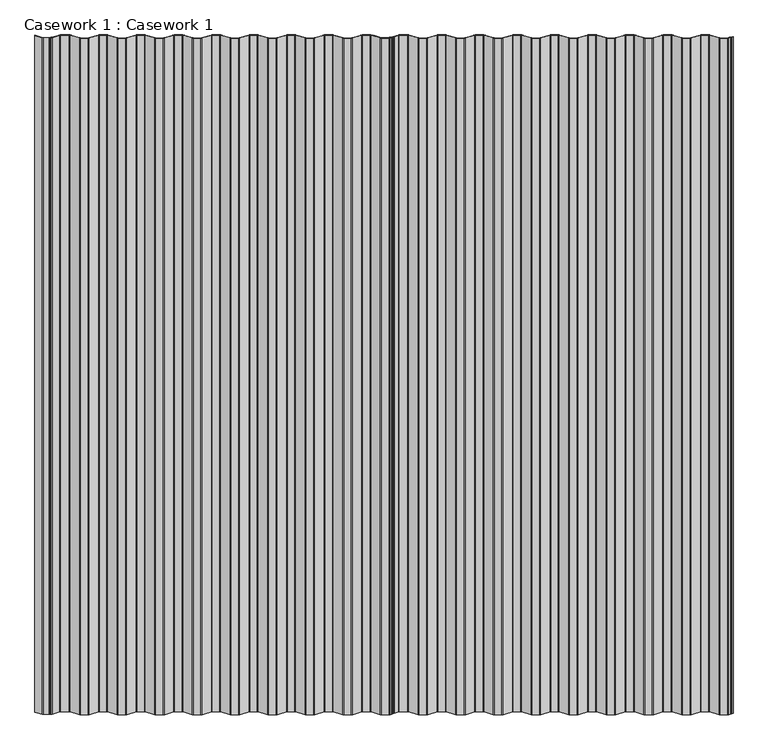
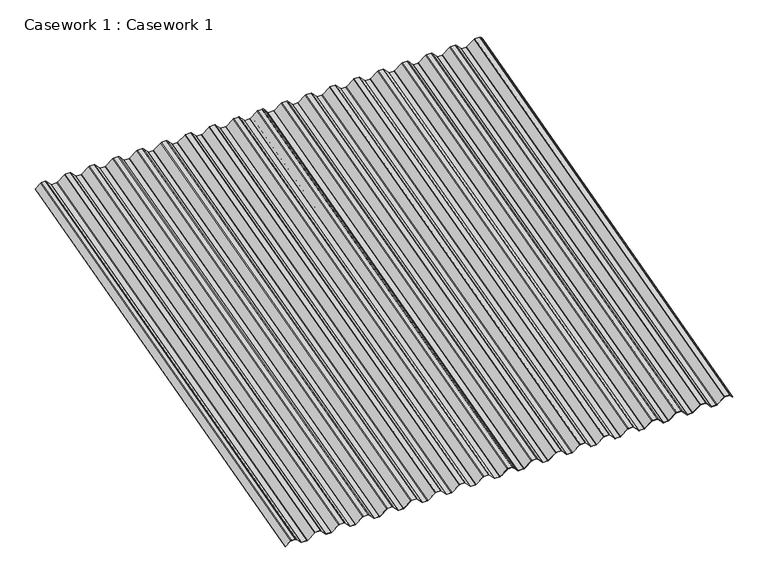
"""IFC4 building model written with IfcOpenShell, lengths in millimetres: furniture geometry, Casework 1 : Casework 1."""

from ifc_helpers import new_model, si_unit, point, frame, frame_2d, origin, place, context, project, spatial, polyline, circle_curve, trimmed, segment, composite_curve, outline, extrude, source, transform, mapped, element, save


def casework_1_casework_1_0fa42758(model_context):
    return source(origin(), model_context, "Body", "SweptSolid", [
        extrude(outline(composite_curve([segment(polyline([(22.4266797, 18.2436098), (17.0394884, 22.7230351)]), True, "CONTINUOUS"), segment(trimmed(circle_curve(frame_2d((17.4272006, 23.0454161)), 0.5042323), [point((17.0394884, 22.7230351))], [point((17.7495816, 23.4331283))], False, "CARTESIAN"), True, "CONTINUOUS"), segment(polyline([(17.7495816, 23.4331283), (22.7475344, 19.2773531), (24.8599332, 19.4717018), (25.628849, 18.8323518), (25.8231976, 16.719953), (30.8211505, 12.5641777)]), True, "CONTINUOUS"), segment(trimmed(circle_curve(frame_2d((28.25, 9.5)), 4.0), [point((30.8211505, 12.5641777))], [point((32.25, 9.5))], False, "CARTESIAN"), True, "CONTINUOUS"), segment(polyline([(32.25, 9.5), (32.25, -9.5)]), True, "CONTINUOUS"), segment(trimmed(circle_curve(frame_2d((28.25, -9.5)), 4.0), [point((32.25, -9.5))], [point((30.8282571, -12.5582005))], False, "CARTESIAN"), True, "CONTINUOUS"), segment(polyline([(30.8282571, -12.5582005), (2.0663072, -36.8063497)]), True, "CONTINUOUS"), segment(trimmed(circle_curve(frame_2d((4.0, -39.1)), 3.0), [point((2.0663072, -36.8063497))], [point((1.0, -39.1))], True, "CARTESIAN"), True, "CONTINUOUS"), segment(polyline([(1.0, -39.1), (1.0, -58.12)]), True, "CONTINUOUS"), segment(trimmed(circle_curve(frame_2d((4.0, -58.12)), 3.0), [point((1.0, -58.12))], [point((2.0663065, -60.4136498))], True, "CARTESIAN"), True, "CONTINUOUS"), segment(polyline([(2.0663065, -60.4136498), (30.8211505, -84.6558223)]), True, "CONTINUOUS"), segment(trimmed(circle_curve(frame_2d((28.25, -87.72)), 4.0), [point((30.8211505, -84.6558223))], [point((32.25, -87.72))], False, "CARTESIAN"), True, "CONTINUOUS"), segment(polyline([(32.25, -87.72), (32.25, -106.72)]), True, "CONTINUOUS"), segment(trimmed(circle_curve(frame_2d((28.25, -106.72)), 4.0), [point((32.25, -106.72))], [point((30.8211505, -109.7841778))], False, "CARTESIAN"), True, "CONTINUOUS"), segment(polyline([(30.8211505, -109.7841778), (2.0716372, -134.0218667)]), True, "CONTINUOUS"), segment(trimmed(circle_curve(frame_2d((4.0, -136.32)), 3.0), [point((2.0716372, -134.0218667))], [point((1.0, -136.32))], True, "CARTESIAN"), True, "CONTINUOUS"), segment(polyline([(1.0, -136.32), (1.0, -155.342)]), True, "CONTINUOUS"), segment(trimmed(circle_curve(frame_2d((4.0, -155.342)), 3.0), [point((1.0, -155.342))], [point((2.0716372, -157.6401334))], True, "CARTESIAN"), True, "CONTINUOUS"), segment(polyline([(2.0716372, -157.6401334), (30.8211505, -181.8778223)]), True, "CONTINUOUS"), segment(trimmed(circle_curve(frame_2d((28.25, -184.942)), 4.0), [point((30.8211505, -181.8778223))], [point((32.25, -184.942))], False, "CARTESIAN"), True, "CONTINUOUS"), segment(polyline([(32.25, -184.942), (32.25, -203.942)]), True, "CONTINUOUS"), segment(trimmed(circle_curve(frame_2d((28.25, -203.942)), 4.0), [point((32.25, -203.942))], [point((30.8282571, -207.0002005))], False, "CARTESIAN"), True, "CONTINUOUS"), segment(polyline([(30.8282571, -207.0002005), (2.0663072, -231.2483497)]), True, "CONTINUOUS"), segment(trimmed(circle_curve(frame_2d((4.0, -233.542)), 3.0), [point((2.0663072, -231.2483497))], [point((1.0, -233.542))], True, "CARTESIAN"), True, "CONTINUOUS"), segment(polyline([(1.0, -233.542), (1.0, -252.564)]), True, "CONTINUOUS"), segment(trimmed(circle_curve(frame_2d((4.0, -252.564)), 3.0), [point((1.0, -252.564))], [point((2.0716372, -254.8621334))], True, "CARTESIAN"), True, "CONTINUOUS"), segment(polyline([(2.0716372, -254.8621334), (30.8211505, -279.0998223)]), True, "CONTINUOUS"), segment(trimmed(circle_curve(frame_2d((28.25, -282.164)), 4.0), [point((30.8211505, -279.0998223))], [point((32.25, -282.164))], False, "CARTESIAN"), True, "CONTINUOUS"), segment(polyline([(32.25, -282.164), (32.25, -301.164)]), True, "CONTINUOUS"), segment(trimmed(circle_curve(frame_2d((28.25, -301.164)), 4.0), [point((32.25, -301.164))], [point((30.8282578, -304.2222))], False, "CARTESIAN"), True, "CONTINUOUS"), segment(polyline([(30.8282578, -304.2222), (2.0716372, -328.4658667)]), True, "CONTINUOUS"), segment(trimmed(circle_curve(frame_2d((4.0, -330.764)), 3.0), [point((2.0716372, -328.4658667))], [point((1.0, -330.764))], True, "CARTESIAN"), True, "CONTINUOUS"), segment(polyline([(1.0, -330.764), (1.0, -349.786)]), True, "CONTINUOUS"), segment(trimmed(circle_curve(frame_2d((4.0, -349.786)), 3.0), [point((1.0, -349.786))], [point((2.0716372, -352.0841334))], True, "CARTESIAN"), True, "CONTINUOUS"), segment(polyline([(2.0716372, -352.0841334), (30.8211505, -376.3218223)]), True, "CONTINUOUS"), segment(trimmed(circle_curve(frame_2d((28.25, -379.386)), 4.0), [point((30.8211505, -376.3218223))], [point((32.25, -379.386))], False, "CARTESIAN"), True, "CONTINUOUS"), segment(polyline([(32.25, -379.386), (32.25, -398.386)]), True, "CONTINUOUS"), segment(trimmed(circle_curve(frame_2d((28.25, -398.386)), 4.0), [point((32.25, -398.386))], [point((30.8211505, -401.4501778))], False, "CARTESIAN"), True, "CONTINUOUS"), segment(polyline([(30.8211505, -401.4501778), (2.0663065, -425.6923502)]), True, "CONTINUOUS"), segment(trimmed(circle_curve(frame_2d((4.0, -427.986)), 3.0), [point((2.0663065, -425.6923502))], [point((1.0, -427.986))], True, "CARTESIAN"), True, "CONTINUOUS"), segment(polyline([(1.0, -427.986), (1.0, -447.008)]), True, "CONTINUOUS"), segment(trimmed(circle_curve(frame_2d((4.0, -447.008)), 3.0), [point((1.0, -447.008))], [point((2.0663072, -449.3016504))], True, "CARTESIAN"), True, "CONTINUOUS"), segment(polyline([(2.0663072, -449.3016504), (30.8282571, -473.5497995)]), True, "CONTINUOUS"), segment(trimmed(circle_curve(frame_2d((28.25, -476.608)), 4.0), [point((30.8282571, -473.5497995))], [point((32.25, -476.608))], False, "CARTESIAN"), True, "CONTINUOUS"), segment(polyline([(32.25, -476.608), (32.25, -495.608)]), True, "CONTINUOUS"), segment(trimmed(circle_curve(frame_2d((28.25, -495.608)), 4.0), [point((32.25, -495.608))], [point((30.8282578, -498.6662))], False, "CARTESIAN"), True, "CONTINUOUS"), segment(polyline([(30.8282578, -498.6662), (2.0716372, -522.9098667)]), True, "CONTINUOUS"), segment(trimmed(circle_curve(frame_2d((4.0, -525.208)), 3.0), [point((2.0716372, -522.9098667))], [point((1.0, -525.208))], True, "CARTESIAN"), True, "CONTINUOUS"), segment(polyline([(1.0, -525.208), (1.0, -544.232)]), True, "CONTINUOUS"), segment(trimmed(circle_curve(frame_2d((4.0, -544.232)), 3.0), [point((1.0, -544.232))], [point((2.0716372, -546.5301334))], True, "CARTESIAN"), True, "CONTINUOUS"), segment(polyline([(2.0716372, -546.5301334), (30.8211505, -570.7678223)]), True, "CONTINUOUS"), segment(trimmed(circle_curve(frame_2d((28.25, -573.832)), 4.0), [point((30.8211505, -570.7678223))], [point((32.25, -573.832))], False, "CARTESIAN"), True, "CONTINUOUS"), segment(polyline([(32.25, -573.832), (32.25, -592.832)]), True, "CONTINUOUS"), segment(trimmed(circle_curve(frame_2d((28.25, -592.832)), 4.0), [point((32.25, -592.832))], [point((30.8211505, -595.8961778))], False, "CARTESIAN"), True, "CONTINUOUS"), segment(polyline([(30.8211505, -595.8961778), (2.0716372, -620.1338667)]), True, "CONTINUOUS"), segment(trimmed(circle_curve(frame_2d((4.0, -622.432)), 3.0), [point((2.0716372, -620.1338667))], [point((1.0, -622.432))], True, "CARTESIAN"), True, "CONTINUOUS"), segment(polyline([(1.0, -622.432), (1.0, -641.454)]), True, "CONTINUOUS"), segment(trimmed(circle_curve(frame_2d((4.0, -641.454)), 3.0), [point((1.0, -641.454))], [point((2.0716372, -643.7521334))], True, "CARTESIAN"), True, "CONTINUOUS"), segment(polyline([(2.0716372, -643.7521334), (30.8211505, -667.9898223)]), True, "CONTINUOUS"), segment(trimmed(circle_curve(frame_2d((28.25, -671.054)), 4.0), [point((30.8211505, -667.9898223))], [point((32.25, -671.054))], False, "CARTESIAN"), True, "CONTINUOUS"), segment(polyline([(32.25, -671.054), (32.25, -690.054)]), True, "CONTINUOUS"), segment(trimmed(circle_curve(frame_2d((28.25, -690.054)), 4.0), [point((32.25, -690.054))], [point((30.8211505, -693.1181778))], False, "CARTESIAN"), True, "CONTINUOUS"), segment(polyline([(30.8211505, -693.1181778), (2.0716372, -717.3558667)]), True, "CONTINUOUS"), segment(trimmed(circle_curve(frame_2d((4.0, -719.654)), 3.0), [point((2.0716372, -717.3558667))], [point((1.0, -719.654))], True, "CARTESIAN"), True, "CONTINUOUS"), segment(polyline([(1.0, -719.654), (1.0, -738.676)]), True, "CONTINUOUS"), segment(trimmed(circle_curve(frame_2d((4.0, -738.676)), 3.0), [point((1.0, -738.676))], [point((2.0716372, -740.9741334))], True, "CARTESIAN"), True, "CONTINUOUS"), segment(polyline([(2.0716372, -740.9741334), (30.8211505, -765.2118223)]), True, "CONTINUOUS"), segment(trimmed(circle_curve(frame_2d((28.25, -768.276)), 4.0), [point((30.8211505, -765.2118223))], [point((32.25, -768.276))], False, "CARTESIAN"), True, "CONTINUOUS"), segment(polyline([(32.25, -768.276), (32.25, -787.276)]), True, "CONTINUOUS"), segment(trimmed(circle_curve(frame_2d((28.25, -787.276)), 4.0), [point((32.25, -787.276))], [point((30.8211505, -790.3401778))], False, "CARTESIAN"), True, "CONTINUOUS"), segment(polyline([(30.8211505, -790.3401778), (2.0716372, -814.5778667)]), True, "CONTINUOUS"), segment(trimmed(circle_curve(frame_2d((4.0, -816.876)), 3.0), [point((2.0716372, -814.5778667))], [point((1.0, -816.876))], True, "CARTESIAN"), True, "CONTINUOUS"), segment(polyline([(1.0, -816.876), (1.0, -838.6568296)]), True, "CONTINUOUS"), segment(trimmed(circle_curve(frame_2d((4.0, -838.6568296)), 3.0), [point((1.0, -838.6568296))], [point((2.0716372, -840.9549629))], True, "CARTESIAN"), True, "CONTINUOUS"), segment(polyline([(2.0716372, -840.9549629), (26.2500001, -861.3706418), (26.2500001, -863.7304827)]), True, "CONTINUOUS"), segment(trimmed(circle_curve(frame_2d((27.25, -863.7304827)), 1.0), [point((26.2500001, -863.7304827))], [point((26.61065, -864.4993985))], True, "CARTESIAN"), True, "CONTINUOUS"), segment(polyline([(26.61065, -864.4993985), (29.8971979, -867.2321483)]), True, "CONTINUOUS"), segment(trimmed(circle_curve(frame_2d((29.2578479, -868.0010642)), 1.0), [point((29.8971979, -867.2321483))], [point((30.2578478, -868.001572))], False, "CARTESIAN"), True, "CONTINUOUS"), segment(polyline([(30.2578478, -868.001572), (30.2500001, -883.4536328)]), True, "CONTINUOUS"), segment(trimmed(circle_curve(frame_2d((26.2500001, -883.4536328)), 4.0), [point((30.2500001, -883.4536328))], [point((28.8211505, -886.5178106))], False, "CARTESIAN"), True, "CONTINUOUS"), segment(polyline([(28.8211505, -886.5178106), (6.1904487, -905.5969394)]), True, "CONTINUOUS"), segment(trimmed(circle_curve(frame_2d((5.8742903, -905.20591)), 0.5028521), [point((6.1904487, -905.5969394))], [point((5.4965708, -904.8739639))], False, "CARTESIAN"), True, "CONTINUOUS"), segment(polyline([(5.4965708, -904.8739639), (28.1898359, -885.7420901)]), True, "CONTINUOUS"), segment(trimmed(circle_curve(frame_2d((26.2500001, -883.4536328)), 3.0), [point((28.1898359, -885.7420901))], [point((29.25, -883.4536328))], True, "CARTESIAN"), True, "CONTINUOUS"), segment(polyline([(29.25, -883.4536328), (29.2578479, -868.0010642), (25.9713, -865.2683144)]), True, "CONTINUOUS"), segment(trimmed(circle_curve(frame_2d((27.25, -863.7304827)), 2.0), [point((25.9713, -865.2683144))], [point((25.25, -863.7304827))], False, "CARTESIAN"), True, "CONTINUOUS"), segment(polyline([(25.25, -863.7304827), (25.25, -861.8350702), (1.4112273, -841.7061338)]), True, "CONTINUOUS"), segment(trimmed(circle_curve(frame_2d((4.0, -838.6568296)), 4.0), [point((1.4112273, -841.7061338))], [point((0.0, -838.6568296))], False, "CARTESIAN"), True, "CONTINUOUS"), segment(polyline([(0.0, -838.6568296), (0.0, -816.876)]), True, "CONTINUOUS"), segment(trimmed(circle_curve(frame_2d((4.0, -816.876)), 4.0), [point((0.0, -816.876))], [point((1.4278965, -813.8126223))], False, "CARTESIAN"), True, "CONTINUOUS"), segment(polyline([(1.4278965, -813.8126223), (30.1775372, -789.5748259)]), True, "CONTINUOUS"), segment(trimmed(circle_curve(frame_2d((28.25, -787.276)), 3.0), [point((30.1775372, -789.5748259))], [point((31.25, -787.2759999))], True, "CARTESIAN"), True, "CONTINUOUS"), segment(polyline([(31.25, -787.2759999), (31.2499995, -768.2759999)]), True, "CONTINUOUS"), segment(trimmed(circle_curve(frame_2d((28.2499995, -768.276)), 3.0), [point((31.2499995, -768.2759999))], [point((30.1776317, -765.9772538))], True, "CARTESIAN"), True, "CONTINUOUS"), segment(polyline([(30.1776317, -765.9772538), (1.4278965, -741.7393778)]), True, "CONTINUOUS"), segment(trimmed(circle_curve(frame_2d((4.0, -738.676)), 4.0), [point((1.4278965, -741.7393778))], [point((0.0, -738.676))], False, "CARTESIAN"), True, "CONTINUOUS"), segment(polyline([(0.0, -738.676), (0.0, -719.654)]), True, "CONTINUOUS"), segment(trimmed(circle_curve(frame_2d((4.0, -719.654)), 4.0), [point((0.0, -719.654))], [point((1.4278965, -716.5906223))], False, "CARTESIAN"), True, "CONTINUOUS"), segment(polyline([(1.4278965, -716.5906223), (30.1775372, -692.3528259)]), True, "CONTINUOUS"), segment(trimmed(circle_curve(frame_2d((28.25, -690.054)), 3.0), [point((30.1775372, -692.3528259))], [point((31.25, -690.0539999))], True, "CARTESIAN"), True, "CONTINUOUS"), segment(polyline([(31.25, -690.0539999), (31.2499995, -671.0539999)]), True, "CONTINUOUS"), segment(trimmed(circle_curve(frame_2d((28.2499995, -671.054)), 3.0), [point((31.2499995, -671.0539999))], [point((30.1776317, -668.7552538))], True, "CARTESIAN"), True, "CONTINUOUS"), segment(polyline([(30.1776317, -668.7552538), (1.4278965, -644.5173778)]), True, "CONTINUOUS"), segment(trimmed(circle_curve(frame_2d((4.0, -641.454)), 4.0), [point((1.4278965, -644.5173778))], [point((0.0, -641.454))], False, "CARTESIAN"), True, "CONTINUOUS"), segment(polyline([(0.0, -641.454), (0.0, -622.432)]), True, "CONTINUOUS"), segment(trimmed(circle_curve(frame_2d((4.0, -622.432)), 4.0), [point((0.0, -622.432))], [point((1.4278965, -619.3686223))], False, "CARTESIAN"), True, "CONTINUOUS"), segment(polyline([(1.4278965, -619.3686223), (30.1775372, -595.1308259)]), True, "CONTINUOUS"), segment(trimmed(circle_curve(frame_2d((28.25, -592.832)), 3.0), [point((30.1775372, -595.1308259))], [point((31.25, -592.8319999))], True, "CARTESIAN"), True, "CONTINUOUS"), segment(polyline([(31.25, -592.8319999), (31.2499995, -573.8319999)]), True, "CONTINUOUS"), segment(trimmed(circle_curve(frame_2d((28.2499995, -573.832)), 3.0), [point((31.2499995, -573.8319999))], [point((30.1776317, -571.5332538))], True, "CARTESIAN"), True, "CONTINUOUS"), segment(polyline([(30.1776317, -571.5332538), (1.4278965, -547.2953778)]), True, "CONTINUOUS"), segment(trimmed(circle_curve(frame_2d((4.0, -544.232)), 4.0), [point((1.4278965, -547.2953778))], [point((0.0, -544.232))], False, "CARTESIAN"), True, "CONTINUOUS"), segment(polyline([(0.0, -544.232), (0.0, -525.208)]), True, "CONTINUOUS"), segment(trimmed(circle_curve(frame_2d((4.0, -525.208)), 4.0), [point((0.0, -525.208))], [point((1.4278965, -522.1446223))], False, "CARTESIAN"), True, "CONTINUOUS"), segment(polyline([(1.4278965, -522.1446223), (30.1836928, -497.9016504)]), True, "CONTINUOUS"), segment(trimmed(circle_curve(frame_2d((28.2499995, -495.6080005)), 3.0), [point((30.1836928, -497.9016504))], [point((31.2499995, -495.6080005))], True, "CARTESIAN"), True, "CONTINUOUS"), segment(polyline([(31.2499995, -495.6080005), (31.25, -476.6080001)]), True, "CONTINUOUS"), segment(trimmed(circle_curve(frame_2d((28.25, -476.608)), 3.0), [point((31.25, -476.6080001))], [point((30.1836928, -474.3143497))], True, "CARTESIAN"), True, "CONTINUOUS"), segment(polyline([(30.1836928, -474.3143497), (1.4217429, -450.0662005)]), True, "CONTINUOUS"), segment(trimmed(circle_curve(frame_2d((4.0, -447.008)), 4.0), [point((1.4217429, -450.0662005))], [point((0.0, -447.008))], False, "CARTESIAN"), True, "CONTINUOUS"), segment(polyline([(0.0, -447.008), (0.0, -427.986)]), True, "CONTINUOUS"), segment(trimmed(circle_curve(frame_2d((4.0, -427.986)), 4.0), [point((0.0, -427.986))], [point((1.421742, -424.9278003))], False, "CARTESIAN"), True, "CONTINUOUS"), segment(polyline([(1.421742, -424.9278003), (30.1775373, -400.6848259)]), True, "CONTINUOUS"), segment(trimmed(circle_curve(frame_2d((28.25, -398.386)), 3.0), [point((30.1775373, -400.6848259))], [point((31.25, -398.3859999))], True, "CARTESIAN"), True, "CONTINUOUS"), segment(polyline([(31.25, -398.3859999), (31.2499995, -379.3859999)]), True, "CONTINUOUS"), segment(trimmed(circle_curve(frame_2d((28.2499995, -379.386)), 3.0), [point((31.2499995, -379.3859999))], [point((30.1776317, -377.0872538))], True, "CARTESIAN"), True, "CONTINUOUS"), segment(polyline([(30.1776317, -377.0872538), (1.4278965, -352.8493778)]), True, "CONTINUOUS"), segment(trimmed(circle_curve(frame_2d((4.0, -349.786)), 4.0), [point((1.4278965, -352.8493778))], [point((0.0, -349.786))], False, "CARTESIAN"), True, "CONTINUOUS"), segment(polyline([(0.0, -349.786), (0.0, -330.764)]), True, "CONTINUOUS"), segment(trimmed(circle_curve(frame_2d((4.0, -330.764)), 4.0), [point((0.0, -330.764))], [point((1.4278965, -327.7006223))], False, "CARTESIAN"), True, "CONTINUOUS"), segment(polyline([(1.4278965, -327.7006223), (30.1836933, -303.45765)]), True, "CONTINUOUS"), segment(trimmed(circle_curve(frame_2d((28.25, -301.164)), 3.0), [point((30.1836933, -303.45765))], [point((31.2499995, -301.1622476))], True, "CARTESIAN"), True, "CONTINUOUS"), segment(polyline([(31.2499995, -301.1622476), (31.2499995, -282.164)]), True, "CONTINUOUS"), segment(trimmed(circle_curve(frame_2d((28.2499995, -282.164)), 3.0), [point((31.2499995, -282.164))], [point((30.1776317, -279.8652538))], True, "CARTESIAN"), True, "CONTINUOUS"), segment(polyline([(30.1776317, -279.8652538), (1.4278965, -255.6273778)]), True, "CONTINUOUS"), segment(trimmed(circle_curve(frame_2d((4.0, -252.564)), 4.0), [point((1.4278965, -255.6273778))], [point((0.0, -252.564))], False, "CARTESIAN"), True, "CONTINUOUS"), segment(polyline([(0.0, -252.564), (0.0, -233.542)]), True, "CONTINUOUS"), segment(trimmed(circle_curve(frame_2d((4.0, -233.542)), 4.0), [point((0.0, -233.542))], [point((1.4217429, -230.4837995))], False, "CARTESIAN"), True, "CONTINUOUS"), segment(polyline([(1.4217429, -230.4837995), (30.1836928, -206.2356504)]), True, "CONTINUOUS"), segment(trimmed(circle_curve(frame_2d((28.25, -203.942)), 3.0), [point((30.1836928, -206.2356504))], [point((31.2499995, -203.9402476))], True, "CARTESIAN"), True, "CONTINUOUS"), segment(polyline([(31.2499995, -203.9402476), (31.2499995, -184.942)]), True, "CONTINUOUS"), segment(trimmed(circle_curve(frame_2d((28.2499995, -184.942)), 3.0), [point((31.2499995, -184.942))], [point((30.1776317, -182.6432538))], True, "CARTESIAN"), True, "CONTINUOUS"), segment(polyline([(30.1776317, -182.6432538), (1.4278965, -158.4053778)]), True, "CONTINUOUS"), segment(trimmed(circle_curve(frame_2d((4.0, -155.342)), 4.0), [point((1.4278965, -158.4053778))], [point((0.0, -155.342))], False, "CARTESIAN"), True, "CONTINUOUS"), segment(polyline([(0.0, -155.342), (0.0, -136.32)]), True, "CONTINUOUS"), segment(trimmed(circle_curve(frame_2d((4.0, -136.32)), 4.0), [point((0.0, -136.32))], [point((1.4278965, -133.2566223))], False, "CARTESIAN"), True, "CONTINUOUS"), segment(polyline([(1.4278965, -133.2566223), (30.1775372, -109.0188259)]), True, "CONTINUOUS"), segment(trimmed(circle_curve(frame_2d((28.25, -106.72)), 3.0), [point((30.1775372, -109.0188259))], [point((31.25, -106.7199999))], True, "CARTESIAN"), True, "CONTINUOUS"), segment(polyline([(31.25, -106.7199999), (31.2499995, -87.7199999)]), True, "CONTINUOUS"), segment(trimmed(circle_curve(frame_2d((28.2499995, -87.72)), 3.0), [point((31.2499995, -87.7199999))], [point((30.1776318, -85.4212539))], True, "CARTESIAN"), True, "CONTINUOUS"), segment(polyline([(30.1776318, -85.4212539), (1.421742, -61.1781998)]), True, "CONTINUOUS"), segment(trimmed(circle_curve(frame_2d((4.0, -58.12)), 4.0), [point((1.421742, -61.1781998))], [point((0.0, -58.12))], False, "CARTESIAN"), True, "CONTINUOUS"), segment(polyline([(0.0, -58.12), (0.0, -39.1)]), True, "CONTINUOUS"), segment(trimmed(circle_curve(frame_2d((4.0, -39.1)), 4.0), [point((0.0, -39.1))], [point((1.4217429, -36.0417995))], False, "CARTESIAN"), True, "CONTINUOUS"), segment(polyline([(1.4217429, -36.0417995), (30.1836924, -11.7936508)]), True, "CONTINUOUS"), segment(trimmed(circle_curve(frame_2d((28.2499995, -9.5000005)), 3.0), [point((30.1836924, -11.7936508))], [point((31.2499995, -9.5000005))], True, "CARTESIAN"), True, "CONTINUOUS"), segment(polyline([(31.2499995, -9.5000005), (31.25, 9.4999999)]), True, "CONTINUOUS"), segment(trimmed(circle_curve(frame_2d((28.25, 9.5)), 3.0), [point((31.25, 9.4999999))], [point((30.1799548, 11.7967966))], True, "CARTESIAN"), True, "CONTINUOUS"), segment(polyline([(30.1799548, 11.7967966), (24.8653523, 16.2158646), (24.6598886, 18.4490735), (22.4266797, 18.2436098)]), True, "CONTINUOUS")], self_intersect=False)), frame((-8283.4396532, -11903.1293549, 1316.0740635), z_axis=(0.0, 0.9659258262890684, 0.2588190451025205), x_axis=(0.0, -0.2588190451025205, 0.9659258262890684)), (0.0, 0.0, 1.0), 1810.0),
        extrude(outline(composite_curve([segment(polyline([(22.4266797, 18.2436099), (17.0394884, 22.7230352)]), True, "CONTINUOUS"), segment(trimmed(circle_curve(frame_2d((17.4272006, 23.0454162)), 0.5042323), [point((17.0394884, 22.7230352))], [point((17.7495816, 23.4331284))], False, "CARTESIAN"), True, "CONTINUOUS"), segment(polyline([(17.7495816, 23.4331284), (22.7475344, 19.2773532), (24.8599332, 19.4717019), (25.628849, 18.8323518), (25.8231976, 16.719953), (30.8211505, 12.5641778)]), True, "CONTINUOUS"), segment(trimmed(circle_curve(frame_2d((28.25, 9.5)), 4.0), [point((30.8211505, 12.5641778))], [point((32.25, 9.5))], False, "CARTESIAN"), True, "CONTINUOUS"), segment(polyline([(32.25, 9.5), (32.25, -9.5)]), True, "CONTINUOUS"), segment(trimmed(circle_curve(frame_2d((28.25, -9.5)), 4.0), [point((32.25, -9.5))], [point((30.8282571, -12.5582005))], False, "CARTESIAN"), True, "CONTINUOUS"), segment(polyline([(30.8282571, -12.5582005), (2.0663072, -36.8063496)]), True, "CONTINUOUS"), segment(trimmed(circle_curve(frame_2d((4.0, -39.1)), 3.0), [point((2.0663072, -36.8063496))], [point((1.0, -39.1))], True, "CARTESIAN"), True, "CONTINUOUS"), segment(polyline([(1.0, -39.1), (1.0, -58.12)]), True, "CONTINUOUS"), segment(trimmed(circle_curve(frame_2d((4.0, -58.12)), 3.0), [point((1.0, -58.12))], [point((2.0663065, -60.4136498))], True, "CARTESIAN"), True, "CONTINUOUS"), segment(polyline([(2.0663065, -60.4136498), (30.8211505, -84.6558222)]), True, "CONTINUOUS"), segment(trimmed(circle_curve(frame_2d((28.25, -87.72)), 4.0), [point((30.8211505, -84.6558222))], [point((32.25, -87.72))], False, "CARTESIAN"), True, "CONTINUOUS"), segment(polyline([(32.25, -87.72), (32.25, -106.72)]), True, "CONTINUOUS"), segment(trimmed(circle_curve(frame_2d((28.25, -106.72)), 4.0), [point((32.25, -106.72))], [point((30.8211505, -109.7841777))], False, "CARTESIAN"), True, "CONTINUOUS"), segment(polyline([(30.8211505, -109.7841777), (2.0716372, -134.0218666)]), True, "CONTINUOUS"), segment(trimmed(circle_curve(frame_2d((4.0, -136.32)), 3.0), [point((2.0716372, -134.0218666))], [point((1.0, -136.32))], True, "CARTESIAN"), True, "CONTINUOUS"), segment(polyline([(1.0, -136.32), (1.0, -155.342)]), True, "CONTINUOUS"), segment(trimmed(circle_curve(frame_2d((4.0, -155.342)), 3.0), [point((1.0, -155.342))], [point((2.0716372, -157.6401333))], True, "CARTESIAN"), True, "CONTINUOUS"), segment(polyline([(2.0716372, -157.6401333), (30.8211505, -181.8778222)]), True, "CONTINUOUS"), segment(trimmed(circle_curve(frame_2d((28.25, -184.942)), 4.0), [point((30.8211505, -181.8778222))], [point((32.25, -184.942))], False, "CARTESIAN"), True, "CONTINUOUS"), segment(polyline([(32.25, -184.942), (32.25, -203.942)]), True, "CONTINUOUS"), segment(trimmed(circle_curve(frame_2d((28.25, -203.942)), 4.0), [point((32.25, -203.942))], [point((30.8282571, -207.0002005))], False, "CARTESIAN"), True, "CONTINUOUS"), segment(polyline([(30.8282571, -207.0002005), (2.0663072, -231.2483496)]), True, "CONTINUOUS"), segment(trimmed(circle_curve(frame_2d((4.0, -233.542)), 3.0), [point((2.0663072, -231.2483496))], [point((1.0, -233.542))], True, "CARTESIAN"), True, "CONTINUOUS"), segment(polyline([(1.0, -233.542), (1.0, -252.564)]), True, "CONTINUOUS"), segment(trimmed(circle_curve(frame_2d((4.0, -252.564)), 3.0), [point((1.0, -252.564))], [point((2.0716372, -254.8621333))], True, "CARTESIAN"), True, "CONTINUOUS"), segment(polyline([(2.0716372, -254.8621333), (30.8211505, -279.0998222)]), True, "CONTINUOUS"), segment(trimmed(circle_curve(frame_2d((28.25, -282.164)), 4.0), [point((30.8211505, -279.0998222))], [point((32.25, -282.164))], False, "CARTESIAN"), True, "CONTINUOUS"), segment(polyline([(32.25, -282.164), (32.25, -301.164)]), True, "CONTINUOUS"), segment(trimmed(circle_curve(frame_2d((28.25, -301.164)), 4.0), [point((32.25, -301.164))], [point((30.8282578, -304.2221999))], False, "CARTESIAN"), True, "CONTINUOUS"), segment(polyline([(30.8282578, -304.2221999), (2.0716372, -328.4658666)]), True, "CONTINUOUS"), segment(trimmed(circle_curve(frame_2d((4.0, -330.764)), 3.0), [point((2.0716372, -328.4658666))], [point((1.0, -330.764))], True, "CARTESIAN"), True, "CONTINUOUS"), segment(polyline([(1.0, -330.764), (1.0, -349.786)]), True, "CONTINUOUS"), segment(trimmed(circle_curve(frame_2d((4.0, -349.786)), 3.0), [point((1.0, -349.786))], [point((2.0716372, -352.0841333))], True, "CARTESIAN"), True, "CONTINUOUS"), segment(polyline([(2.0716372, -352.0841333), (30.8211505, -376.3218222)]), True, "CONTINUOUS"), segment(trimmed(circle_curve(frame_2d((28.25, -379.386)), 4.0), [point((30.8211505, -376.3218222))], [point((32.25, -379.386))], False, "CARTESIAN"), True, "CONTINUOUS"), segment(polyline([(32.25, -379.386), (32.25, -398.386)]), True, "CONTINUOUS"), segment(trimmed(circle_curve(frame_2d((28.25, -398.386)), 4.0), [point((32.25, -398.386))], [point((30.8211505, -401.4501777))], False, "CARTESIAN"), True, "CONTINUOUS"), segment(polyline([(30.8211505, -401.4501777), (2.0663065, -425.6923501)]), True, "CONTINUOUS"), segment(trimmed(circle_curve(frame_2d((4.0, -427.986)), 3.0), [point((2.0663065, -425.6923501))], [point((1.0, -427.986))], True, "CARTESIAN"), True, "CONTINUOUS"), segment(polyline([(1.0, -427.986), (1.0, -447.008)]), True, "CONTINUOUS"), segment(trimmed(circle_curve(frame_2d((4.0, -447.008)), 3.0), [point((1.0, -447.008))], [point((2.0663072, -449.3016503))], True, "CARTESIAN"), True, "CONTINUOUS"), segment(polyline([(2.0663072, -449.3016503), (30.8282571, -473.5497995)]), True, "CONTINUOUS"), segment(trimmed(circle_curve(frame_2d((28.25, -476.608)), 4.0), [point((30.8282571, -473.5497995))], [point((32.25, -476.608))], False, "CARTESIAN"), True, "CONTINUOUS"), segment(polyline([(32.25, -476.608), (32.25, -495.608)]), True, "CONTINUOUS"), segment(trimmed(circle_curve(frame_2d((28.25, -495.608)), 4.0), [point((32.25, -495.608))], [point((30.8282578, -498.6661999))], False, "CARTESIAN"), True, "CONTINUOUS"), segment(polyline([(30.8282578, -498.6661999), (2.0716372, -522.9098666)]), True, "CONTINUOUS"), segment(trimmed(circle_curve(frame_2d((4.0, -525.208)), 3.0), [point((2.0716372, -522.9098666))], [point((1.0, -525.208))], True, "CARTESIAN"), True, "CONTINUOUS"), segment(polyline([(1.0, -525.208), (1.0, -544.232)]), True, "CONTINUOUS"), segment(trimmed(circle_curve(frame_2d((4.0, -544.232)), 3.0), [point((1.0, -544.232))], [point((2.0716372, -546.5301333))], True, "CARTESIAN"), True, "CONTINUOUS"), segment(polyline([(2.0716372, -546.5301333), (30.8211505, -570.7678222)]), True, "CONTINUOUS"), segment(trimmed(circle_curve(frame_2d((28.25, -573.832)), 4.0), [point((30.8211505, -570.7678222))], [point((32.25, -573.832))], False, "CARTESIAN"), True, "CONTINUOUS"), segment(polyline([(32.25, -573.832), (32.25, -592.832)]), True, "CONTINUOUS"), segment(trimmed(circle_curve(frame_2d((28.25, -592.832)), 4.0), [point((32.25, -592.832))], [point((30.8211505, -595.8961777))], False, "CARTESIAN"), True, "CONTINUOUS"), segment(polyline([(30.8211505, -595.8961777), (2.0716372, -620.1338666)]), True, "CONTINUOUS"), segment(trimmed(circle_curve(frame_2d((4.0, -622.432)), 3.0), [point((2.0716372, -620.1338666))], [point((1.0, -622.432))], True, "CARTESIAN"), True, "CONTINUOUS"), segment(polyline([(1.0, -622.432), (1.0, -641.454)]), True, "CONTINUOUS"), segment(trimmed(circle_curve(frame_2d((4.0, -641.454)), 3.0), [point((1.0, -641.454))], [point((2.0716372, -643.7521333))], True, "CARTESIAN"), True, "CONTINUOUS"), segment(polyline([(2.0716372, -643.7521333), (30.8211505, -667.9898222)]), True, "CONTINUOUS"), segment(trimmed(circle_curve(frame_2d((28.25, -671.054)), 4.0), [point((30.8211505, -667.9898222))], [point((32.25, -671.054))], False, "CARTESIAN"), True, "CONTINUOUS"), segment(polyline([(32.25, -671.054), (32.25, -690.054)]), True, "CONTINUOUS"), segment(trimmed(circle_curve(frame_2d((28.25, -690.054)), 4.0), [point((32.25, -690.054))], [point((30.8211505, -693.1181777))], False, "CARTESIAN"), True, "CONTINUOUS"), segment(polyline([(30.8211505, -693.1181777), (2.0716372, -717.3558666)]), True, "CONTINUOUS"), segment(trimmed(circle_curve(frame_2d((4.0, -719.654)), 3.0), [point((2.0716372, -717.3558666))], [point((1.0, -719.654))], True, "CARTESIAN"), True, "CONTINUOUS"), segment(polyline([(1.0, -719.654), (1.0, -738.676)]), True, "CONTINUOUS"), segment(trimmed(circle_curve(frame_2d((4.0, -738.676)), 3.0), [point((1.0, -738.676))], [point((2.0716372, -740.9741333))], True, "CARTESIAN"), True, "CONTINUOUS"), segment(polyline([(2.0716372, -740.9741333), (30.8211505, -765.2118222)]), True, "CONTINUOUS"), segment(trimmed(circle_curve(frame_2d((28.25, -768.276)), 4.0), [point((30.8211505, -765.2118222))], [point((32.25, -768.276))], False, "CARTESIAN"), True, "CONTINUOUS"), segment(polyline([(32.25, -768.276), (32.25, -787.276)]), True, "CONTINUOUS"), segment(trimmed(circle_curve(frame_2d((28.25, -787.276)), 4.0), [point((32.25, -787.276))], [point((30.8211505, -790.3401777))], False, "CARTESIAN"), True, "CONTINUOUS"), segment(polyline([(30.8211505, -790.3401777), (2.0716372, -814.5778666)]), True, "CONTINUOUS"), segment(trimmed(circle_curve(frame_2d((4.0, -816.876)), 3.0), [point((2.0716372, -814.5778666))], [point((1.0, -816.876))], True, "CARTESIAN"), True, "CONTINUOUS"), segment(polyline([(1.0, -816.876), (1.0, -838.6568295)]), True, "CONTINUOUS"), segment(trimmed(circle_curve(frame_2d((4.0, -838.6568295)), 3.0), [point((1.0, -838.6568295))], [point((2.0716372, -840.9549628))], True, "CARTESIAN"), True, "CONTINUOUS"), segment(polyline([(2.0716372, -840.9549628), (26.2500001, -861.3706417), (26.2500001, -863.7304827)]), True, "CONTINUOUS"), segment(trimmed(circle_curve(frame_2d((27.25, -863.7304827)), 1.0), [point((26.2500001, -863.7304827))], [point((26.61065, -864.4993985))], True, "CARTESIAN"), True, "CONTINUOUS"), segment(polyline([(26.61065, -864.4993985), (29.8971979, -867.2321483)]), True, "CONTINUOUS"), segment(trimmed(circle_curve(frame_2d((29.2578479, -868.0010641)), 1.0), [point((29.8971979, -867.2321483))], [point((30.2578478, -868.001572))], False, "CARTESIAN"), True, "CONTINUOUS"), segment(polyline([(30.2578478, -868.001572), (30.2500001, -883.4536327)]), True, "CONTINUOUS"), segment(trimmed(circle_curve(frame_2d((26.2500001, -883.4536327)), 4.0), [point((30.2500001, -883.4536327))], [point((28.8211505, -886.5178105))], False, "CARTESIAN"), True, "CONTINUOUS"), segment(polyline([(28.8211505, -886.5178105), (6.1904487, -905.5969394)]), True, "CONTINUOUS"), segment(trimmed(circle_curve(frame_2d((5.8742903, -905.2059099)), 0.5028521), [point((6.1904487, -905.5969394))], [point((5.4965708, -904.8739638))], False, "CARTESIAN"), True, "CONTINUOUS"), segment(polyline([(5.4965708, -904.8739638), (28.1898359, -885.7420901)]), True, "CONTINUOUS"), segment(trimmed(circle_curve(frame_2d((26.2500001, -883.4536327)), 3.0), [point((28.1898359, -885.7420901))], [point((29.25, -883.4536327))], True, "CARTESIAN"), True, "CONTINUOUS"), segment(polyline([(29.25, -883.4536327), (29.2578479, -868.0010641), (25.9713, -865.2683143)]), True, "CONTINUOUS"), segment(trimmed(circle_curve(frame_2d((27.25, -863.7304827)), 2.0), [point((25.9713, -865.2683143))], [point((25.25, -863.7304827))], False, "CARTESIAN"), True, "CONTINUOUS"), segment(polyline([(25.25, -863.7304827), (25.25, -861.8350701), (1.4112273, -841.7061337)]), True, "CONTINUOUS"), segment(trimmed(circle_curve(frame_2d((4.0, -838.6568295)), 4.0), [point((1.4112273, -841.7061337))], [point((0.0, -838.6568295))], False, "CARTESIAN"), True, "CONTINUOUS"), segment(polyline([(0.0, -838.6568295), (0.0, -816.876)]), True, "CONTINUOUS"), segment(trimmed(circle_curve(frame_2d((4.0, -816.876)), 4.0), [point((0.0, -816.876))], [point((1.4278965, -813.8126222))], False, "CARTESIAN"), True, "CONTINUOUS"), segment(polyline([(1.4278965, -813.8126222), (30.1775372, -789.5748258)]), True, "CONTINUOUS"), segment(trimmed(circle_curve(frame_2d((28.25, -787.276)), 3.0), [point((30.1775372, -789.5748258))], [point((31.25, -787.2759999))], True, "CARTESIAN"), True, "CONTINUOUS"), segment(polyline([(31.25, -787.2759999), (31.2499995, -768.2759999)]), True, "CONTINUOUS"), segment(trimmed(circle_curve(frame_2d((28.2499995, -768.276)), 3.0), [point((31.2499995, -768.2759999))], [point((30.1776317, -765.9772537))], True, "CARTESIAN"), True, "CONTINUOUS"), segment(polyline([(30.1776317, -765.9772537), (1.4278965, -741.7393777)]), True, "CONTINUOUS"), segment(trimmed(circle_curve(frame_2d((4.0, -738.676)), 4.0), [point((1.4278965, -741.7393777))], [point((0.0, -738.676))], False, "CARTESIAN"), True, "CONTINUOUS"), segment(polyline([(0.0, -738.676), (0.0, -719.654)]), True, "CONTINUOUS"), segment(trimmed(circle_curve(frame_2d((4.0, -719.654)), 4.0), [point((0.0, -719.654))], [point((1.4278965, -716.5906222))], False, "CARTESIAN"), True, "CONTINUOUS"), segment(polyline([(1.4278965, -716.5906222), (30.1775372, -692.3528258)]), True, "CONTINUOUS"), segment(trimmed(circle_curve(frame_2d((28.25, -690.054)), 3.0), [point((30.1775372, -692.3528258))], [point((31.25, -690.0539999))], True, "CARTESIAN"), True, "CONTINUOUS"), segment(polyline([(31.25, -690.0539999), (31.2499995, -671.0539999)]), True, "CONTINUOUS"), segment(trimmed(circle_curve(frame_2d((28.2499995, -671.054)), 3.0), [point((31.2499995, -671.0539999))], [point((30.1776317, -668.7552537))], True, "CARTESIAN"), True, "CONTINUOUS"), segment(polyline([(30.1776317, -668.7552537), (1.4278965, -644.5173777)]), True, "CONTINUOUS"), segment(trimmed(circle_curve(frame_2d((4.0, -641.454)), 4.0), [point((1.4278965, -644.5173777))], [point((0.0, -641.454))], False, "CARTESIAN"), True, "CONTINUOUS"), segment(polyline([(0.0, -641.454), (0.0, -622.432)]), True, "CONTINUOUS"), segment(trimmed(circle_curve(frame_2d((4.0, -622.432)), 4.0), [point((0.0, -622.432))], [point((1.4278965, -619.3686222))], False, "CARTESIAN"), True, "CONTINUOUS"), segment(polyline([(1.4278965, -619.3686222), (30.1775372, -595.1308258)]), True, "CONTINUOUS"), segment(trimmed(circle_curve(frame_2d((28.25, -592.832)), 3.0), [point((30.1775372, -595.1308258))], [point((31.25, -592.8319999))], True, "CARTESIAN"), True, "CONTINUOUS"), segment(polyline([(31.25, -592.8319999), (31.2499995, -573.8319999)]), True, "CONTINUOUS"), segment(trimmed(circle_curve(frame_2d((28.2499995, -573.832)), 3.0), [point((31.2499995, -573.8319999))], [point((30.1776317, -571.5332537))], True, "CARTESIAN"), True, "CONTINUOUS"), segment(polyline([(30.1776317, -571.5332537), (1.4278965, -547.2953777)]), True, "CONTINUOUS"), segment(trimmed(circle_curve(frame_2d((4.0, -544.232)), 4.0), [point((1.4278965, -547.2953777))], [point((0.0, -544.232))], False, "CARTESIAN"), True, "CONTINUOUS"), segment(polyline([(0.0, -544.232), (0.0, -525.208)]), True, "CONTINUOUS"), segment(trimmed(circle_curve(frame_2d((4.0, -525.208)), 4.0), [point((0.0, -525.208))], [point((1.4278965, -522.1446222))], False, "CARTESIAN"), True, "CONTINUOUS"), segment(polyline([(1.4278965, -522.1446222), (30.1836928, -497.9016503)]), True, "CONTINUOUS"), segment(trimmed(circle_curve(frame_2d((28.2499995, -495.6080004)), 3.0), [point((30.1836928, -497.9016503))], [point((31.2499995, -495.6080005))], True, "CARTESIAN"), True, "CONTINUOUS"), segment(polyline([(31.2499995, -495.6080005), (31.25, -476.608)]), True, "CONTINUOUS"), segment(trimmed(circle_curve(frame_2d((28.25, -476.608)), 3.0), [point((31.25, -476.608))], [point((30.1836928, -474.3143496))], True, "CARTESIAN"), True, "CONTINUOUS"), segment(polyline([(30.1836928, -474.3143496), (1.4217429, -450.0662005)]), True, "CONTINUOUS"), segment(trimmed(circle_curve(frame_2d((4.0, -447.008)), 4.0), [point((1.4217429, -450.0662005))], [point((0.0, -447.008))], False, "CARTESIAN"), True, "CONTINUOUS"), segment(polyline([(0.0, -447.008), (0.0, -427.986)]), True, "CONTINUOUS"), segment(trimmed(circle_curve(frame_2d((4.0, -427.986)), 4.0), [point((0.0, -427.986))], [point((1.421742, -424.9278002))], False, "CARTESIAN"), True, "CONTINUOUS"), segment(polyline([(1.421742, -424.9278002), (30.1775373, -400.6848258)]), True, "CONTINUOUS"), segment(trimmed(circle_curve(frame_2d((28.25, -398.386)), 3.0), [point((30.1775373, -400.6848258))], [point((31.25, -398.3859999))], True, "CARTESIAN"), True, "CONTINUOUS"), segment(polyline([(31.25, -398.3859999), (31.2499995, -379.3859999)]), True, "CONTINUOUS"), segment(trimmed(circle_curve(frame_2d((28.2499995, -379.386)), 3.0), [point((31.2499995, -379.3859999))], [point((30.1776317, -377.0872537))], True, "CARTESIAN"), True, "CONTINUOUS"), segment(polyline([(30.1776317, -377.0872537), (1.4278965, -352.8493777)]), True, "CONTINUOUS"), segment(trimmed(circle_curve(frame_2d((4.0, -349.786)), 4.0), [point((1.4278965, -352.8493777))], [point((0.0, -349.786))], False, "CARTESIAN"), True, "CONTINUOUS"), segment(polyline([(0.0, -349.786), (0.0, -330.764)]), True, "CONTINUOUS"), segment(trimmed(circle_curve(frame_2d((4.0, -330.764)), 4.0), [point((0.0, -330.764))], [point((1.4278965, -327.7006222))], False, "CARTESIAN"), True, "CONTINUOUS"), segment(polyline([(1.4278965, -327.7006222), (30.1836933, -303.4576499)]), True, "CONTINUOUS"), segment(trimmed(circle_curve(frame_2d((28.25, -301.164)), 3.0), [point((30.1836933, -303.4576499))], [point((31.2499995, -301.1622475))], True, "CARTESIAN"), True, "CONTINUOUS"), segment(polyline([(31.2499995, -301.1622475), (31.2499995, -282.164)]), True, "CONTINUOUS"), segment(trimmed(circle_curve(frame_2d((28.2499995, -282.164)), 3.0), [point((31.2499995, -282.164))], [point((30.1776317, -279.8652537))], True, "CARTESIAN"), True, "CONTINUOUS"), segment(polyline([(30.1776317, -279.8652537), (1.4278965, -255.6273777)]), True, "CONTINUOUS"), segment(trimmed(circle_curve(frame_2d((4.0, -252.564)), 4.0), [point((1.4278965, -255.6273777))], [point((0.0, -252.564))], False, "CARTESIAN"), True, "CONTINUOUS"), segment(polyline([(0.0, -252.564), (0.0, -233.542)]), True, "CONTINUOUS"), segment(trimmed(circle_curve(frame_2d((4.0, -233.542)), 4.0), [point((0.0, -233.542))], [point((1.4217429, -230.4837995))], False, "CARTESIAN"), True, "CONTINUOUS"), segment(polyline([(1.4217429, -230.4837995), (30.1836928, -206.2356503)]), True, "CONTINUOUS"), segment(trimmed(circle_curve(frame_2d((28.25, -203.942)), 3.0), [point((30.1836928, -206.2356503))], [point((31.2499995, -203.9402475))], True, "CARTESIAN"), True, "CONTINUOUS"), segment(polyline([(31.2499995, -203.9402475), (31.2499995, -184.942)]), True, "CONTINUOUS"), segment(trimmed(circle_curve(frame_2d((28.2499995, -184.942)), 3.0), [point((31.2499995, -184.942))], [point((30.1776317, -182.6432537))], True, "CARTESIAN"), True, "CONTINUOUS"), segment(polyline([(30.1776317, -182.6432537), (1.4278965, -158.4053777)]), True, "CONTINUOUS"), segment(trimmed(circle_curve(frame_2d((4.0, -155.342)), 4.0), [point((1.4278965, -158.4053777))], [point((0.0, -155.342))], False, "CARTESIAN"), True, "CONTINUOUS"), segment(polyline([(0.0, -155.342), (0.0, -136.32)]), True, "CONTINUOUS"), segment(trimmed(circle_curve(frame_2d((4.0, -136.32)), 4.0), [point((0.0, -136.32))], [point((1.4278965, -133.2566222))], False, "CARTESIAN"), True, "CONTINUOUS"), segment(polyline([(1.4278965, -133.2566222), (30.1775372, -109.0188258)]), True, "CONTINUOUS"), segment(trimmed(circle_curve(frame_2d((28.25, -106.72)), 3.0), [point((30.1775372, -109.0188258))], [point((31.25, -106.7199999))], True, "CARTESIAN"), True, "CONTINUOUS"), segment(polyline([(31.25, -106.7199999), (31.2499995, -87.7199999)]), True, "CONTINUOUS"), segment(trimmed(circle_curve(frame_2d((28.2499995, -87.72)), 3.0), [point((31.2499995, -87.7199999))], [point((30.1776318, -85.4212538))], True, "CARTESIAN"), True, "CONTINUOUS"), segment(polyline([(30.1776318, -85.4212538), (1.421742, -61.1781997)]), True, "CONTINUOUS"), segment(trimmed(circle_curve(frame_2d((4.0, -58.12)), 4.0), [point((1.421742, -61.1781997))], [point((0.0, -58.12))], False, "CARTESIAN"), True, "CONTINUOUS"), segment(polyline([(0.0, -58.12), (0.0, -39.1)]), True, "CONTINUOUS"), segment(trimmed(circle_curve(frame_2d((4.0, -39.1)), 4.0), [point((0.0, -39.1))], [point((1.4217429, -36.0417995))], False, "CARTESIAN"), True, "CONTINUOUS"), segment(polyline([(1.4217429, -36.0417995), (30.1836924, -11.7936508)]), True, "CONTINUOUS"), segment(trimmed(circle_curve(frame_2d((28.2499995, -9.5000004)), 3.0), [point((30.1836924, -11.7936508))], [point((31.2499995, -9.5000005))], True, "CARTESIAN"), True, "CONTINUOUS"), segment(polyline([(31.2499995, -9.5000005), (31.25, 9.5)]), True, "CONTINUOUS"), segment(trimmed(circle_curve(frame_2d((28.25, 9.5)), 3.0), [point((31.25, 9.5))], [point((30.1799548, 11.7967966))], True, "CARTESIAN"), True, "CONTINUOUS"), segment(polyline([(30.1799548, 11.7967966), (24.8653523, 16.2158647), (24.6598886, 18.4490736), (22.4266797, 18.2436099)]), True, "CONTINUOUS")], self_intersect=False)), frame((-9158.5939895, -11903.1293549, 1316.0740635), z_axis=(0.0, 0.9659258262890684, 0.2588190451025205), x_axis=(0.0, -0.2588190451025205, 0.9659258262890684)), (0.0, 0.0, 1.0), 1810.0),
    ])


if __name__ == "__main__":
    model = new_model("IFC4")
    model_context = context("Model", 3, world=origin())
    ifc_project = project(units=[si_unit("LENGTHUNIT", "METRE", prefix="MILLI")], contexts=[model_context])
    site = spatial("IfcSite", under=ifc_project)
    building = spatial("IfcBuilding", under=site)
    placement = place(None, origin())
    casework_1_casework_1_shape = casework_1_casework_1_0fa42758(model_context)
    element("IfcFurniture", 1, ObjectType="Casework 1 : Casework 1", at=placement, inside=building, context=model_context, shape_type="MappedRepresentation", body=[
        mapped(casework_1_casework_1_shape, transform((0.0, 0.0, 0.0), x_axis=(1.0, 0.0, 0.0), y_axis=(0.0, 1.0, 0.0), z_axis=(0.0, 0.0, 1.0))),
    ])
    save(model, "model.ifc")
